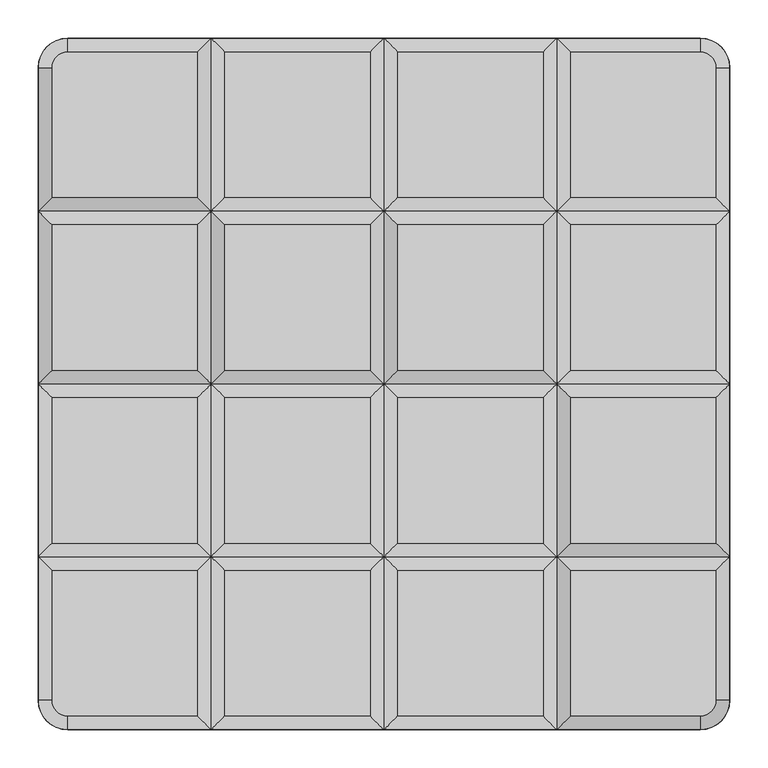
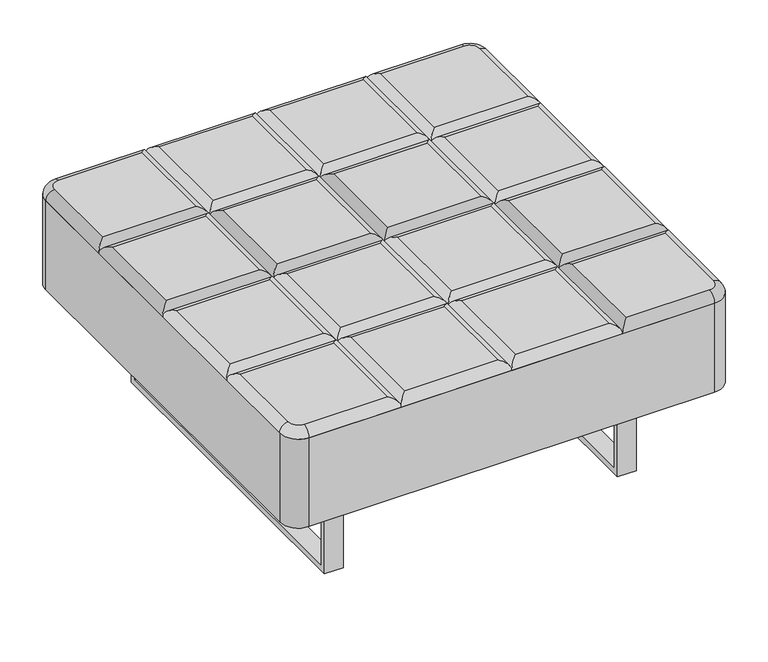
"""IFC4 building model written with IfcOpenShell, lengths in millimetres: furniture geometry."""

from ifc_helpers import new_model, si_unit, point, frame, frame_2d, origin, place, context, project, spatial, polyline, circle_curve, ellipse_curve, trimmed, segment, composite_curve, outline, extrude, source, transform, mapped, element, save
from ifc_brep_helpers import plane_surface, cylinder_surface, revolved_surface, advanced_brep


def furniture_b568f158(model_context):
    return source(origin(), model_context, "Body", "SolidModel", [
        extrude(outline(polyline([(-339.4724839, 203.2), (341.6588694, 203.2), (341.6588694, 0.0), (-339.4724839, 0.0), (-339.4724839, 203.2)]), holes=[polyline([(-326.7724839, 12.7), (328.9588694, 12.7), (328.9588694, 190.5), (-326.7724839, 190.5), (-326.7724839, 12.7)])]), frame((279.4000465, 0.0, 0.0), z_axis=(1.0, 0.0, 0.0), x_axis=(0.0, 1.0, 0.0)), (0.0, 0.0, 1.0), 38.0999535),
        extrude(outline(polyline([(-339.4724839, 203.2), (341.6588694, 203.2), (341.6588694, 0.0), (-339.4724839, 0.0), (-339.4724839, 203.2)]), holes=[polyline([(-326.7724839, 12.7), (328.9588694, 12.7), (328.9588694, 190.5), (-326.7724839, 190.5), (-326.7724839, 12.7)])]), frame((-317.5, 0.0, 0.0), z_axis=(1.0, 0.0, 0.0), x_axis=(0.0, 1.0, 0.0)), (0.0, 0.0, 1.0), 38.0999535),
        advanced_brep(
        [(-243.3855122, 243.3855122, 412.75), (-243.3855122, 432.8894878, 412.75), (-412.75, 432.8894878, 412.75), (-432.8894878, 412.75, 412.75), (-432.8894878, 243.3855122, 412.75), (-225.425, 450.85, 394.7894878), (-225.425, 225.425, 394.7894878), (-450.85, 225.425, 394.7894878), (-450.85, 412.75, 394.7894878), (-412.75, 450.85, 394.7894878)],
        [
            (0, 1),
            (1, 2),
            (2, 3, circle_curve(frame((-412.75, 412.75, 412.75), z_axis=(0.0, 0.0, 1.0), x_axis=(0.0, 1.0, 0.0)), 20.1394878)),
            (3, 4),
            (4, 0),
            (5, 6),
            (6, 7),
            (7, 8),
            (8, 9, circle_curve(frame((-412.75, 412.75, 394.7894878), z_axis=(0.0, 0.0, -1.0), x_axis=(0.0, 1.0, 0.0)), 38.1)),
            (9, 5),
            (0, 6, ellipse_curve(frame((-243.3855122, 243.3855122, 394.7894878), z_axis=(0.7071067811865475, 0.7071067811865475, 0.0), x_axis=(0.7071067811865474, -0.7071067811865476, 0.0)), 25.4, 17.9605122)),
            (5, 1, ellipse_curve(frame((-243.3855122, 432.8894878, 394.7894878), z_axis=(0.7071067811865475, -0.7071067811865475, 0.0), x_axis=(-0.7071067811865474, -0.7071067811865476, 0.0)), 25.4, 17.9605122)),
            (9, 2, circle_curve(frame((-412.75, 432.8894878, 394.7894878), z_axis=(1.0, 0.0, 0.0), x_axis=(0.0, -1.0, 0.0)), 17.9605122)),
            (8, 3, circle_curve(frame((-432.8894878, 412.75, 394.7894878), z_axis=(0.0, 1.0, 0.0), x_axis=(1.0, 0.0, 0.0)), 17.9605122)),
            (7, 4, ellipse_curve(frame((-432.8894878, 243.3855122, 394.7894878), z_axis=(-0.7071067811865475, 0.7071067811865475, 0.0), x_axis=(0.7071067811865474, 0.7071067811865476, 0.0)), 25.4, 17.9605122)),
        ],
        [
            plane_surface(frame((-432.8894878, 243.3855122, 412.75), z_axis=(0.0, 0.0, 1.0), x_axis=(0.0, -1.0, 0.0))),
            plane_surface(frame((-432.8894878, 243.3855122, 394.7894878), z_axis=(0.0, 0.0, -1.0), x_axis=(0.0, 1.0, 0.0))),
            cylinder_surface(frame((-243.3855122, 225.425, 394.7894878), z_axis=(0.0, -1.0, 0.0), x_axis=(-1.0, 0.0, 0.0)), 17.9605122),
            cylinder_surface(frame((-225.425, 432.8894878, 394.7894878), z_axis=(1.0, 0.0, 0.0), x_axis=(0.0, -1.0, 0.0)), 17.9605122),
            revolved_surface(trimmed(ellipse_curve(frame((-412.75, 432.8894878, 394.7894878), z_axis=(1.0, 0.0, 0.0), x_axis=(0.0, -1.0, 0.0)), 17.9605122, 17.9605122), [point((-412.75, 450.85, 394.7894878))], [point((-412.75, 432.8894878, 412.75))], True, "CARTESIAN"), (-412.75, 412.75, 394.7894878), (0.0, 0.0, 1.0)),
            cylinder_surface(frame((-432.8894878, 412.75, 394.7894878), z_axis=(0.0, 1.0, 0.0), x_axis=(1.0, 0.0, 0.0)), 17.9605122),
            cylinder_surface(frame((-450.85, 243.3855122, 394.7894878), z_axis=(-1.0, 0.0, 0.0), x_axis=(0.0, 1.0, 0.0)), 17.9605122),
        ],
        [
            (0, [[1, 2, 3, 4, 5]]),
            (1, [[6, 7, 8, 9, 10]]),
            (2, [[11, -6, 12, -1]]),
            (3, [[-12, -10, 13, -2]]),
            (4, [[-13, -9, 14, -3]]),
            (5, [[-14, -8, 15, -4]]),
            (6, [[-11, -5, -15, -7]]),
        ],
    ),
        advanced_brep(
        [(-17.9605122, 243.3855122, 412.75), (-17.9605122, 432.8894878, 412.75), (-207.4644878, 432.8894878, 412.75), (-207.4644878, 243.3855122, 412.75), (0.0, 450.85, 394.7894878), (0.0, 225.425, 394.7894878), (-225.425, 225.425, 394.7894878), (-225.425, 450.85, 394.7894878)],
        [
            (0, 1),
            (1, 2),
            (2, 3),
            (3, 0),
            (4, 5),
            (5, 6),
            (6, 7),
            (7, 4),
            (4, 1, ellipse_curve(frame((-17.9605122, 432.8894878, 394.7894878), z_axis=(0.7071067811865523, -0.7071067811865428, 0.0), x_axis=(0.7071067811865428, 0.7071067811865521, 0.0)), 25.4, 17.9605122)),
            (0, 5, ellipse_curve(frame((-17.9605122, 243.3855122, 394.7894878), z_axis=(0.7071067811865428, 0.7071067811865522, 0.0), x_axis=(-0.7071067811865523, 0.7071067811865428, 0.0)), 25.4, 17.9605122)),
            (3, 6, ellipse_curve(frame((-207.4644878, 243.3855122, 394.7894878), z_axis=(0.7071067811865522, -0.7071067811865428, 0.0), x_axis=(0.7071067811865428, 0.7071067811865521, 0.0)), 25.4, 17.9605122)),
            (2, 7, ellipse_curve(frame((-207.4644878, 432.8894878, 394.7894878), z_axis=(-0.7071067811865428, -0.7071067811865521, 0.0), x_axis=(0.707106781186552, -0.707106781186543, 0.0)), 25.4, 17.9605122)),
        ],
        [
            plane_surface(frame((-17.9605122, 243.3855122, 412.75), z_axis=(0.0, 0.0, 1.0), x_axis=(1.0, 0.0, 0.0))),
            plane_surface(frame((-17.9605122, 243.3855122, 394.7894878), z_axis=(0.0, 0.0, -1.0), x_axis=(-1.0, 0.0, 0.0))),
            cylinder_surface(frame((-17.9605122, 450.85, 394.7894878), z_axis=(0.0, 1.0, 0.0), x_axis=(1.0, 0.0, 0.0)), 17.9605122),
            cylinder_surface(frame((0.0, 243.3855122, 394.7894878), z_axis=(1.0, 0.0, 0.0), x_axis=(0.0, -1.0, 0.0)), 17.9605122),
            cylinder_surface(frame((-207.4644878, 225.425, 394.7894878), z_axis=(0.0, -1.0, 0.0), x_axis=(-1.0, 0.0, 0.0)), 17.9605122),
            cylinder_surface(frame((-225.425, 432.8894878, 394.7894878), z_axis=(-1.0, 0.0, 0.0), x_axis=(0.0, 1.0, 0.0)), 17.9605122),
        ],
        [
            (0, [[1, 2, 3, 4]]),
            (1, [[5, 6, 7, 8]]),
            (2, [[9, -1, 10, -5]]),
            (3, [[-10, -4, 11, -6]]),
            (4, [[-11, -3, 12, -7]]),
            (5, [[-9, -8, -12, -2]]),
        ],
    ),
        advanced_brep(
        [(207.4644878, 243.3855122, 412.75), (207.4644878, 432.8894878, 412.75), (17.9605122, 432.8894878, 412.75), (17.9605122, 243.3855122, 412.75), (225.425, 450.85, 394.7894878), (225.425, 225.425, 394.7894878), (0.0, 225.425, 394.7894878), (0.0, 450.85, 394.7894878)],
        [
            (0, 1),
            (1, 2),
            (2, 3),
            (3, 0),
            (4, 5),
            (5, 6),
            (6, 7),
            (7, 4),
            (4, 1, ellipse_curve(frame((207.4644878, 432.8894878, 394.7894878), z_axis=(0.7071067811865523, -0.7071067811865428, 0.0), x_axis=(0.7071067811865428, 0.7071067811865521, 0.0)), 25.4, 17.9605122)),
            (0, 5, ellipse_curve(frame((207.4644878, 243.3855122, 394.7894878), z_axis=(0.7071067811865428, 0.7071067811865522, 0.0), x_axis=(-0.7071067811865523, 0.7071067811865428, 0.0)), 25.4, 17.9605122)),
            (3, 6, ellipse_curve(frame((17.9605122, 243.3855122, 394.7894878), z_axis=(0.7071067811865522, -0.7071067811865428, 0.0), x_axis=(0.7071067811865428, 0.7071067811865521, 0.0)), 25.4, 17.9605122)),
            (2, 7, ellipse_curve(frame((17.9605122, 432.8894878, 394.7894878), z_axis=(-0.7071067811865428, -0.7071067811865521, 0.0), x_axis=(0.707106781186552, -0.707106781186543, 0.0)), 25.4, 17.9605122)),
        ],
        [
            plane_surface(frame((207.4644878, 243.3855122, 412.75), z_axis=(0.0, 0.0, 1.0), x_axis=(1.0, 0.0, 0.0))),
            plane_surface(frame((207.4644878, 243.3855122, 394.7894878), z_axis=(0.0, 0.0, -1.0), x_axis=(-1.0, 0.0, 0.0))),
            cylinder_surface(frame((207.4644878, 450.85, 394.7894878), z_axis=(0.0, 1.0, 0.0), x_axis=(1.0, 0.0, 0.0)), 17.9605122),
            cylinder_surface(frame((225.425, 243.3855122, 394.7894878), z_axis=(1.0, 0.0, 0.0), x_axis=(0.0, -1.0, 0.0)), 17.9605122),
            cylinder_surface(frame((17.9605122, 225.425, 394.7894878), z_axis=(0.0, -1.0, 0.0), x_axis=(-1.0, 0.0, 0.0)), 17.9605122),
            cylinder_surface(frame((0.0, 432.8894878, 394.7894878), z_axis=(-1.0, 0.0, 0.0), x_axis=(0.0, 1.0, 0.0)), 17.9605122),
        ],
        [
            (0, [[1, 2, 3, 4]]),
            (1, [[5, 6, 7, 8]]),
            (2, [[9, -1, 10, -5]]),
            (3, [[-10, -4, 11, -6]]),
            (4, [[-11, -3, 12, -7]]),
            (5, [[-9, -8, -12, -2]]),
        ],
    ),
        advanced_brep(
        [(243.3855122, 432.8894878, 412.75), (243.3855122, 243.3855122, 412.75), (432.8894878, 243.3855122, 412.75), (432.8894878, 412.75, 412.75), (412.75, 432.8894878, 412.75), (225.425, 225.425, 394.7894878), (225.425, 450.85, 394.7894878), (412.75, 450.85, 394.7894878), (450.85, 412.75, 394.7894878), (450.85, 225.425, 394.7894878)],
        [
            (0, 1),
            (1, 2),
            (2, 3),
            (3, 4, circle_curve(frame((412.75, 412.75, 412.75), z_axis=(0.0, 0.0, 1.0), x_axis=(0.0, 1.0, 0.0)), 20.1394878)),
            (4, 0),
            (5, 6),
            (6, 7),
            (7, 8, circle_curve(frame((412.75, 412.75, 394.7894878), z_axis=(0.0, 0.0, -1.0), x_axis=(0.0, 1.0, 0.0)), 38.1)),
            (8, 9),
            (9, 5),
            (5, 1, ellipse_curve(frame((243.3855122, 243.3855122, 394.7894878), z_axis=(-0.7071067811865474, 0.7071067811865476, 0.0), x_axis=(-0.7071067811865475, -0.7071067811865476, 0.0)), 25.4, 17.9605122)),
            (0, 6, ellipse_curve(frame((243.3855122, 432.8894878, 394.7894878), z_axis=(-0.7071067811865476, -0.7071067811865475, 0.0), x_axis=(0.7071067811865475, -0.7071067811865475, 0.0)), 25.4, 17.9605122)),
            (4, 7, circle_curve(frame((412.75, 432.8894878, 394.7894878), z_axis=(-1.0, 0.0, 0.0), x_axis=(0.0, 1.0, 0.0)), 17.9605122)),
            (3, 8, circle_curve(frame((432.8894878, 412.75, 394.7894878), z_axis=(0.0, 1.0, 0.0), x_axis=(1.0, 0.0, 0.0)), 17.9605122)),
            (2, 9, ellipse_curve(frame((432.8894878, 243.3855122, 394.7894878), z_axis=(0.7071067811865477, 0.7071067811865472, 0.0), x_axis=(-0.7071067811865471, 0.7071067811865479, 0.0)), 25.4, 17.9605122)),
        ],
        [
            plane_surface(frame((432.8894878, 412.75, 412.75), z_axis=(0.0, 0.0, 1.0), x_axis=(0.0, 1.0, 0.0))),
            plane_surface(frame((432.8894878, 412.75, 394.7894878), z_axis=(0.0, 0.0, -1.0), x_axis=(0.0, -1.0, 0.0))),
            cylinder_surface(frame((243.3855122, 225.425, 394.7894878), z_axis=(0.0, -1.0, 0.0), x_axis=(-1.0, 0.0, 0.0)), 17.9605122),
            cylinder_surface(frame((225.425, 432.8894878, 394.7894878), z_axis=(-1.0, 0.0, 0.0), x_axis=(0.0, 1.0, 0.0)), 17.9605122),
            revolved_surface(trimmed(ellipse_curve(frame((412.75, 432.8894878, 394.7894878), z_axis=(-1.0, 0.0, 0.0), x_axis=(0.0, 1.0, 0.0)), 17.9605122, 17.9605122), [point((412.75, 432.8894878, 412.75))], [point((412.75, 450.85, 394.7894878))], True, "CARTESIAN"), (412.75, 412.75, 394.7894878), (0.0, 0.0, -1.0)),
            cylinder_surface(frame((432.8894878, 412.75, 394.7894878), z_axis=(0.0, 1.0, 0.0), x_axis=(1.0, 0.0, 0.0)), 17.9605122),
            cylinder_surface(frame((450.85, 243.3855122, 394.7894878), z_axis=(1.0, 0.0, 0.0), x_axis=(0.0, -1.0, 0.0)), 17.9605122),
        ],
        [
            (0, [[1, 2, 3, 4, 5]]),
            (1, [[6, 7, 8, 9, 10]]),
            (2, [[11, -1, 12, -6]]),
            (3, [[-12, -5, 13, -7]]),
            (4, [[-13, -4, 14, -8]]),
            (5, [[-14, -3, 15, -9]]),
            (6, [[-11, -10, -15, -2]]),
        ],
    ),
        advanced_brep(
        [(243.3855122, 207.4644878, 412.75), (243.3855122, 17.9605122, 412.75), (432.8894878, 17.9605122, 412.75), (432.8894878, 207.4644878, 412.75), (225.425, 0.0, 394.7894878), (225.425, 225.425, 394.7894878), (450.85, 225.425, 394.7894878), (450.85, 0.0, 394.7894878)],
        [
            (0, 1),
            (1, 2),
            (2, 3),
            (3, 0),
            (4, 5),
            (5, 6),
            (6, 7),
            (7, 4),
            (4, 1, ellipse_curve(frame((243.3855122, 17.9605122, 394.7894878), z_axis=(-0.7071067811865474, 0.7071067811865477, 0.0), x_axis=(-0.7071067811865477, -0.7071067811865474, 0.0)), 25.4, 17.9605122)),
            (0, 5, ellipse_curve(frame((243.3855122, 207.4644878, 394.7894878), z_axis=(-0.7071067811865478, -0.7071067811865472, 0.0), x_axis=(0.7071067811865471, -0.7071067811865479, 0.0)), 25.4, 17.9605122)),
            (3, 6, ellipse_curve(frame((432.8894878, 207.4644878, 394.7894878), z_axis=(-0.7071067811865474, 0.7071067811865478, 0.0), x_axis=(-0.7071067811865476, -0.7071067811865474, 0.0)), 25.4, 17.9605122)),
            (2, 7, ellipse_curve(frame((432.8894878, 17.9605122, 394.7894878), z_axis=(0.7071067811865476, 0.7071067811865475, 0.0), x_axis=(-0.7071067811865475, 0.7071067811865476, 0.0)), 25.4, 17.9605122)),
        ],
        [
            plane_surface(frame((243.3855122, 207.4644878, 412.75), z_axis=(0.0, 0.0, 1.0), x_axis=(-1.0, 0.0, 0.0))),
            plane_surface(frame((243.3855122, 207.4644878, 394.7894878), z_axis=(0.0, 0.0, -1.0), x_axis=(1.0, 0.0, 0.0))),
            cylinder_surface(frame((243.3855122, 0.0, 394.7894878), z_axis=(0.0, -1.0, 0.0), x_axis=(-1.0, 0.0, 0.0)), 17.9605122),
            cylinder_surface(frame((225.425, 207.4644878, 394.7894878), z_axis=(-1.0, 0.0, 0.0), x_axis=(0.0, 1.0, 0.0)), 17.9605122),
            cylinder_surface(frame((432.8894878, 225.425, 394.7894878), z_axis=(0.0, 1.0, 0.0), x_axis=(1.0, 0.0, 0.0)), 17.9605122),
            cylinder_surface(frame((450.85, 17.9605122, 394.7894878), z_axis=(1.0, 0.0, 0.0), x_axis=(0.0, -1.0, 0.0)), 17.9605122),
        ],
        [
            (0, [[1, 2, 3, 4]]),
            (1, [[5, 6, 7, 8]]),
            (2, [[9, -1, 10, -5]]),
            (3, [[-10, -4, 11, -6]]),
            (4, [[-11, -3, 12, -7]]),
            (5, [[-9, -8, -12, -2]]),
        ],
    ),
        advanced_brep(
        [(207.4644878, 17.9605122, 412.75), (207.4644878, 207.4644878, 412.75), (17.9605122, 207.4644878, 412.75), (17.9605122, 17.9605122, 412.75), (225.425, 225.425, 394.7894878), (225.425, 0.0, 394.7894878), (0.0, 0.0, 394.7894878), (0.0, 225.425, 394.7894878)],
        [
            (0, 1),
            (1, 2),
            (2, 3),
            (3, 0),
            (4, 5),
            (5, 6),
            (6, 7),
            (7, 4),
            (0, 5, ellipse_curve(frame((207.4644878, 17.9605122, 394.7894878), z_axis=(0.707106781186552, 0.7071067811865429, 0.0), x_axis=(0.7071067811865428, -0.7071067811865522, 0.0)), 25.4, 17.9605122)),
            (4, 1, ellipse_curve(frame((207.4644878, 207.4644878, 394.7894878), z_axis=(0.7071067811865428, -0.7071067811865521, 0.0), x_axis=(-0.7071067811865521, -0.7071067811865429, 0.0)), 25.4, 17.9605122)),
            (7, 2, ellipse_curve(frame((17.9605122, 207.4644878, 394.7894878), z_axis=(0.7071067811865521, 0.7071067811865429, 0.0), x_axis=(0.7071067811865429, -0.707106781186552, 0.0)), 25.4, 17.9605122)),
            (6, 3, ellipse_curve(frame((17.9605122, 17.9605122, 394.7894878), z_axis=(-0.7071067811865429, 0.707106781186552, 0.0), x_axis=(0.7071067811865519, 0.707106781186543, 0.0)), 25.4, 17.9605122)),
        ],
        [
            plane_surface(frame((17.9605122, 207.4644878, 412.75), z_axis=(0.0, 0.0, 1.0), x_axis=(0.0, -1.0, 0.0))),
            plane_surface(frame((17.9605122, 207.4644878, 394.7894878), z_axis=(0.0, 0.0, -1.0), x_axis=(0.0, 1.0, 0.0))),
            cylinder_surface(frame((207.4644878, 0.0, 394.7894878), z_axis=(0.0, -1.0, 0.0), x_axis=(-1.0, 0.0, 0.0)), 17.9605122),
            cylinder_surface(frame((225.425, 207.4644878, 394.7894878), z_axis=(1.0, 0.0, 0.0), x_axis=(0.0, -1.0, 0.0)), 17.9605122),
            cylinder_surface(frame((17.9605122, 225.425, 394.7894878), z_axis=(0.0, 1.0, 0.0), x_axis=(1.0, 0.0, 0.0)), 17.9605122),
            cylinder_surface(frame((0.0, 17.9605122, 394.7894878), z_axis=(-1.0, 0.0, 0.0), x_axis=(0.0, 1.0, 0.0)), 17.9605122),
        ],
        [
            (0, [[1, 2, 3, 4]]),
            (1, [[5, 6, 7, 8]]),
            (2, [[9, -5, 10, -1]]),
            (3, [[-10, -8, 11, -2]]),
            (4, [[-11, -7, 12, -3]]),
            (5, [[-9, -4, -12, -6]]),
        ],
    ),
        advanced_brep(
        [(-17.9605122, 17.9605122, 412.75), (-17.9605122, 207.4644878, 412.75), (-207.4644878, 207.4644878, 412.75), (-207.4644878, 17.9605122, 412.75), (0.0, 225.425, 394.7894878), (0.0, 0.0, 394.7894878), (-225.425, 0.0, 394.7894878), (-225.425, 225.425, 394.7894878)],
        [
            (0, 1),
            (1, 2),
            (2, 3),
            (3, 0),
            (4, 5),
            (5, 6),
            (6, 7),
            (7, 4),
            (0, 5, ellipse_curve(frame((-17.9605122, 17.9605122, 394.7894878), z_axis=(0.707106781186552, 0.7071067811865429, 0.0), x_axis=(0.7071067811865428, -0.7071067811865522, 0.0)), 25.4, 17.9605122)),
            (4, 1, ellipse_curve(frame((-17.9605122, 207.4644878, 394.7894878), z_axis=(0.7071067811865428, -0.7071067811865521, 0.0), x_axis=(-0.7071067811865521, -0.7071067811865429, 0.0)), 25.4, 17.9605122)),
            (7, 2, ellipse_curve(frame((-207.4644878, 207.4644878, 394.7894878), z_axis=(0.7071067811865521, 0.7071067811865429, 0.0), x_axis=(0.7071067811865429, -0.707106781186552, 0.0)), 25.4, 17.9605122)),
            (6, 3, ellipse_curve(frame((-207.4644878, 17.9605122, 394.7894878), z_axis=(-0.7071067811865429, 0.707106781186552, 0.0), x_axis=(0.7071067811865519, 0.707106781186543, 0.0)), 25.4, 17.9605122)),
        ],
        [
            plane_surface(frame((-207.4644878, 207.4644878, 412.75), z_axis=(0.0, 0.0, 1.0), x_axis=(0.0, -1.0, 0.0))),
            plane_surface(frame((-207.4644878, 207.4644878, 394.7894878), z_axis=(0.0, 0.0, -1.0), x_axis=(0.0, 1.0, 0.0))),
            cylinder_surface(frame((-17.9605122, 0.0, 394.7894878), z_axis=(0.0, -1.0, 0.0), x_axis=(-1.0, 0.0, 0.0)), 17.9605122),
            cylinder_surface(frame((0.0, 207.4644878, 394.7894878), z_axis=(1.0, 0.0, 0.0), x_axis=(0.0, -1.0, 0.0)), 17.9605122),
            cylinder_surface(frame((-207.4644878, 225.425, 394.7894878), z_axis=(0.0, 1.0, 0.0), x_axis=(1.0, 0.0, 0.0)), 17.9605122),
            cylinder_surface(frame((-225.425, 17.9605122, 394.7894878), z_axis=(-1.0, 0.0, 0.0), x_axis=(0.0, 1.0, 0.0)), 17.9605122),
        ],
        [
            (0, [[1, 2, 3, 4]]),
            (1, [[5, 6, 7, 8]]),
            (2, [[9, -5, 10, -1]]),
            (3, [[-10, -8, 11, -2]]),
            (4, [[-11, -7, 12, -3]]),
            (5, [[-9, -4, -12, -6]]),
        ],
    ),
        advanced_brep(
        [(-243.3855122, 17.9605122, 412.75), (-243.3855122, 207.4644878, 412.75), (-432.8894878, 207.4644878, 412.75), (-432.8894878, 17.9605122, 412.75), (-225.425, 225.425, 394.7894878), (-225.425, 0.0, 394.7894878), (-450.85, 0.0, 394.7894878), (-450.85, 225.425, 394.7894878)],
        [
            (0, 1),
            (1, 2),
            (2, 3),
            (3, 0),
            (4, 5),
            (5, 6),
            (6, 7),
            (7, 4),
            (0, 5, ellipse_curve(frame((-243.3855122, 17.9605122, 394.7894878), z_axis=(0.7071067811865521, 0.7071067811865428, 0.0), x_axis=(0.7071067811865427, -0.7071067811865522, 0.0)), 25.4, 17.9605122)),
            (4, 1, ellipse_curve(frame((-243.3855122, 207.4644878, 394.7894878), z_axis=(0.7071067811865428, -0.7071067811865523, 0.0), x_axis=(-0.7071067811865525, -0.7071067811865426, 0.0)), 25.4, 17.9605122)),
            (7, 2, ellipse_curve(frame((-432.8894878, 207.4644878, 394.7894878), z_axis=(0.7071067811865522, 0.7071067811865427, 0.0), x_axis=(0.7071067811865429, -0.7071067811865521, 0.0)), 25.4, 17.9605122)),
            (6, 3, ellipse_curve(frame((-432.8894878, 17.9605122, 394.7894878), z_axis=(-0.7071067811865428, 0.7071067811865521, 0.0), x_axis=(0.707106781186552, 0.7071067811865429, 0.0)), 25.4, 17.9605122)),
        ],
        [
            plane_surface(frame((-432.8894878, 207.4644878, 412.75), z_axis=(0.0, 0.0, 1.0), x_axis=(0.0, -1.0, 0.0))),
            plane_surface(frame((-432.8894878, 207.4644878, 394.7894878), z_axis=(0.0, 0.0, -1.0), x_axis=(0.0, 1.0, 0.0))),
            cylinder_surface(frame((-243.3855122, 0.0, 394.7894878), z_axis=(0.0, -1.0, 0.0), x_axis=(-1.0, 0.0, 0.0)), 17.9605122),
            cylinder_surface(frame((-225.425, 207.4644878, 394.7894878), z_axis=(1.0, 0.0, 0.0), x_axis=(0.0, -1.0, 0.0)), 17.9605122),
            cylinder_surface(frame((-432.8894878, 225.425, 394.7894878), z_axis=(0.0, 1.0, 0.0), x_axis=(1.0, 0.0, 0.0)), 17.9605122),
            cylinder_surface(frame((-450.85, 17.9605122, 394.7894878), z_axis=(-1.0, 0.0, 0.0), x_axis=(0.0, 1.0, 0.0)), 17.9605122),
        ],
        [
            (0, [[1, 2, 3, 4]]),
            (1, [[5, 6, 7, 8]]),
            (2, [[9, -5, 10, -1]]),
            (3, [[-10, -8, 11, -2]]),
            (4, [[-11, -7, 12, -3]]),
            (5, [[-9, -4, -12, -6]]),
        ],
    ),
        advanced_brep(
        [(-243.3855122, -207.4644878, 412.75), (-243.3855122, -17.9605122, 412.75), (-432.8894878, -17.9605122, 412.75), (-432.8894878, -207.4644878, 412.75), (-225.425, 0.0, 394.7894878), (-225.425, -225.425, 394.7894878), (-450.85, -225.425, 394.7894878), (-450.85, 0.0, 394.7894878)],
        [
            (0, 1),
            (1, 2),
            (2, 3),
            (3, 0),
            (4, 5),
            (5, 6),
            (6, 7),
            (7, 4),
            (4, 1, ellipse_curve(frame((-243.3855122, -17.9605122, 394.7894878), z_axis=(0.7071067811865523, -0.7071067811865428, 0.0), x_axis=(0.7071067811865428, 0.7071067811865521, 0.0)), 25.4, 17.9605122)),
            (0, 5, ellipse_curve(frame((-243.3855122, -207.4644878, 394.7894878), z_axis=(0.7071067811865428, 0.7071067811865522, 0.0), x_axis=(-0.7071067811865523, 0.7071067811865428, 0.0)), 25.4, 17.9605122)),
            (3, 6, ellipse_curve(frame((-432.8894878, -207.4644878, 394.7894878), z_axis=(0.7071067811865522, -0.7071067811865428, 0.0), x_axis=(0.7071067811865428, 0.7071067811865521, 0.0)), 25.4, 17.9605122)),
            (2, 7, ellipse_curve(frame((-432.8894878, -17.9605122, 394.7894878), z_axis=(-0.7071067811865428, -0.7071067811865521, 0.0), x_axis=(0.707106781186552, -0.707106781186543, 0.0)), 25.4, 17.9605122)),
        ],
        [
            plane_surface(frame((-243.3855122, -207.4644878, 412.75), z_axis=(0.0, 0.0, 1.0), x_axis=(1.0, 0.0, 0.0))),
            plane_surface(frame((-243.3855122, -207.4644878, 394.7894878), z_axis=(0.0, 0.0, -1.0), x_axis=(-1.0, 0.0, 0.0))),
            cylinder_surface(frame((-243.3855122, 0.0, 394.7894878), z_axis=(0.0, 1.0, 0.0), x_axis=(1.0, 0.0, 0.0)), 17.9605122),
            cylinder_surface(frame((-225.425, -207.4644878, 394.7894878), z_axis=(1.0, 0.0, 0.0), x_axis=(0.0, -1.0, 0.0)), 17.9605122),
            cylinder_surface(frame((-432.8894878, -225.425, 394.7894878), z_axis=(0.0, -1.0, 0.0), x_axis=(-1.0, 0.0, 0.0)), 17.9605122),
            cylinder_surface(frame((-450.85, -17.9605122, 394.7894878), z_axis=(-1.0, 0.0, 0.0), x_axis=(0.0, 1.0, 0.0)), 17.9605122),
        ],
        [
            (0, [[1, 2, 3, 4]]),
            (1, [[5, 6, 7, 8]]),
            (2, [[9, -1, 10, -5]]),
            (3, [[-10, -4, 11, -6]]),
            (4, [[-11, -3, 12, -7]]),
            (5, [[-9, -8, -12, -2]]),
        ],
    ),
        advanced_brep(
        [(-17.9605122, -207.4644878, 412.75), (-17.9605122, -17.9605122, 412.75), (-207.4644878, -17.9605122, 412.75), (-207.4644878, -207.4644878, 412.75), (0.0, 0.0, 394.7894878), (0.0, -225.425, 394.7894878), (-225.425, -225.425, 394.7894878), (-225.425, 0.0, 394.7894878)],
        [
            (0, 1),
            (1, 2),
            (2, 3),
            (3, 0),
            (4, 5),
            (5, 6),
            (6, 7),
            (7, 4),
            (4, 1, ellipse_curve(frame((-17.9605122, -17.9605122, 394.7894878), z_axis=(0.7071067811865523, -0.7071067811865428, 0.0), x_axis=(0.7071067811865428, 0.7071067811865521, 0.0)), 25.4, 17.9605122)),
            (0, 5, ellipse_curve(frame((-17.9605122, -207.4644878, 394.7894878), z_axis=(0.7071067811865428, 0.7071067811865522, 0.0), x_axis=(-0.7071067811865523, 0.7071067811865428, 0.0)), 25.4, 17.9605122)),
            (3, 6, ellipse_curve(frame((-207.4644878, -207.4644878, 394.7894878), z_axis=(0.7071067811865522, -0.7071067811865428, 0.0), x_axis=(0.7071067811865428, 0.7071067811865521, 0.0)), 25.4, 17.9605122)),
            (2, 7, ellipse_curve(frame((-207.4644878, -17.9605122, 394.7894878), z_axis=(-0.7071067811865428, -0.7071067811865521, 0.0), x_axis=(0.707106781186552, -0.707106781186543, 0.0)), 25.4, 17.9605122)),
        ],
        [
            plane_surface(frame((-17.9605122, -207.4644878, 412.75), z_axis=(0.0, 0.0, 1.0), x_axis=(1.0, 0.0, 0.0))),
            plane_surface(frame((-17.9605122, -207.4644878, 394.7894878), z_axis=(0.0, 0.0, -1.0), x_axis=(-1.0, 0.0, 0.0))),
            cylinder_surface(frame((-17.9605122, 0.0, 394.7894878), z_axis=(0.0, 1.0, 0.0), x_axis=(1.0, 0.0, 0.0)), 17.9605122),
            cylinder_surface(frame((0.0, -207.4644878, 394.7894878), z_axis=(1.0, 0.0, 0.0), x_axis=(0.0, -1.0, 0.0)), 17.9605122),
            cylinder_surface(frame((-207.4644878, -225.425, 394.7894878), z_axis=(0.0, -1.0, 0.0), x_axis=(-1.0, 0.0, 0.0)), 17.9605122),
            cylinder_surface(frame((-225.425, -17.9605122, 394.7894878), z_axis=(-1.0, 0.0, 0.0), x_axis=(0.0, 1.0, 0.0)), 17.9605122),
        ],
        [
            (0, [[1, 2, 3, 4]]),
            (1, [[5, 6, 7, 8]]),
            (2, [[9, -1, 10, -5]]),
            (3, [[-10, -4, 11, -6]]),
            (4, [[-11, -3, 12, -7]]),
            (5, [[-9, -8, -12, -2]]),
        ],
    ),
        advanced_brep(
        [(207.4644878, -207.4644878, 412.75), (207.4644878, -17.9605122, 412.75), (17.9605122, -17.9605122, 412.75), (17.9605122, -207.4644878, 412.75), (225.425, 0.0, 394.7894878), (225.425, -225.425, 394.7894878), (0.0, -225.425, 394.7894878), (0.0, 0.0, 394.7894878)],
        [
            (0, 1),
            (1, 2),
            (2, 3),
            (3, 0),
            (4, 5),
            (5, 6),
            (6, 7),
            (7, 4),
            (4, 1, ellipse_curve(frame((207.4644878, -17.9605122, 394.7894878), z_axis=(0.7071067811865523, -0.7071067811865428, 0.0), x_axis=(0.7071067811865428, 0.7071067811865521, 0.0)), 25.4, 17.9605122)),
            (0, 5, ellipse_curve(frame((207.4644878, -207.4644878, 394.7894878), z_axis=(0.7071067811865428, 0.7071067811865522, 0.0), x_axis=(-0.7071067811865523, 0.7071067811865428, 0.0)), 25.4, 17.9605122)),
            (3, 6, ellipse_curve(frame((17.9605122, -207.4644878, 394.7894878), z_axis=(0.7071067811865522, -0.7071067811865428, 0.0), x_axis=(0.7071067811865428, 0.7071067811865521, 0.0)), 25.4, 17.9605122)),
            (2, 7, ellipse_curve(frame((17.9605122, -17.9605122, 394.7894878), z_axis=(-0.7071067811865428, -0.7071067811865521, 0.0), x_axis=(0.707106781186552, -0.707106781186543, 0.0)), 25.4, 17.9605122)),
        ],
        [
            plane_surface(frame((207.4644878, -207.4644878, 412.75), z_axis=(0.0, 0.0, 1.0), x_axis=(1.0, 0.0, 0.0))),
            plane_surface(frame((207.4644878, -207.4644878, 394.7894878), z_axis=(0.0, 0.0, -1.0), x_axis=(-1.0, 0.0, 0.0))),
            cylinder_surface(frame((207.4644878, 0.0, 394.7894878), z_axis=(0.0, 1.0, 0.0), x_axis=(1.0, 0.0, 0.0)), 17.9605122),
            cylinder_surface(frame((225.425, -207.4644878, 394.7894878), z_axis=(1.0, 0.0, 0.0), x_axis=(0.0, -1.0, 0.0)), 17.9605122),
            cylinder_surface(frame((17.9605122, -225.425, 394.7894878), z_axis=(0.0, -1.0, 0.0), x_axis=(-1.0, 0.0, 0.0)), 17.9605122),
            cylinder_surface(frame((0.0, -17.9605122, 394.7894878), z_axis=(-1.0, 0.0, 0.0), x_axis=(0.0, 1.0, 0.0)), 17.9605122),
        ],
        [
            (0, [[1, 2, 3, 4]]),
            (1, [[5, 6, 7, 8]]),
            (2, [[9, -1, 10, -5]]),
            (3, [[-10, -4, 11, -6]]),
            (4, [[-11, -3, 12, -7]]),
            (5, [[-9, -8, -12, -2]]),
        ],
    ),
        advanced_brep(
        [(243.3855122, -17.9605122, 412.75), (243.3855122, -207.4644878, 412.75), (432.8894878, -207.4644878, 412.75), (432.8894878, -17.9605122, 412.75), (225.425, -225.425, 394.7894878), (225.425, 0.0, 394.7894878), (450.85, 0.0, 394.7894878), (450.85, -225.425, 394.7894878)],
        [
            (0, 1),
            (1, 2),
            (2, 3),
            (3, 0),
            (4, 5),
            (5, 6),
            (6, 7),
            (7, 4),
            (0, 5, ellipse_curve(frame((243.3855122, -17.9605122, 394.7894878), z_axis=(-0.707106781186553, -0.7071067811865419, 0.0), x_axis=(-0.7071067811865418, 0.7071067811865532, 0.0)), 25.4, 17.9605122)),
            (4, 1, ellipse_curve(frame((243.3855122, -207.4644878, 394.7894878), z_axis=(-0.707106781186542, 0.7071067811865529, 0.0), x_axis=(0.7071067811865528, 0.7071067811865421, 0.0)), 25.4, 17.9605122)),
            (7, 2, ellipse_curve(frame((432.8894878, -207.4644878, 394.7894878), z_axis=(-0.7071067811865531, -0.7071067811865419, 0.0), x_axis=(-0.7071067811865419, 0.707106781186553, 0.0)), 25.4, 17.9605122)),
            (6, 3, ellipse_curve(frame((432.8894878, -17.9605122, 394.7894878), z_axis=(0.7071067811865418, -0.7071067811865531, 0.0), x_axis=(-0.7071067811865529, -0.707106781186542, 0.0)), 25.4, 17.9605122)),
        ],
        [
            plane_surface(frame((432.8894878, -207.4644878, 412.75), z_axis=(0.0, 0.0, 1.0), x_axis=(0.0, 1.0, 0.0))),
            plane_surface(frame((432.8894878, -207.4644878, 394.7894878), z_axis=(0.0, 0.0, -1.0), x_axis=(0.0, -1.0, 0.0))),
            cylinder_surface(frame((243.3855122, 0.0, 394.7894878), z_axis=(0.0, 1.0, 0.0), x_axis=(1.0, 0.0, 0.0)), 17.9605122),
            cylinder_surface(frame((225.425, -207.4644878, 394.7894878), z_axis=(-1.0, 0.0, 0.0), x_axis=(0.0, 1.0, 0.0)), 17.9605122),
            cylinder_surface(frame((432.8894878, -225.425, 394.7894878), z_axis=(0.0, -1.0, 0.0), x_axis=(-1.0, 0.0, 0.0)), 17.9605122),
            cylinder_surface(frame((450.85, -17.9605122, 394.7894878), z_axis=(1.0, 0.0, 0.0), x_axis=(0.0, -1.0, 0.0)), 17.9605122),
        ],
        [
            (0, [[1, 2, 3, 4]]),
            (1, [[5, 6, 7, 8]]),
            (2, [[9, -5, 10, -1]]),
            (3, [[-10, -8, 11, -2]]),
            (4, [[-11, -7, 12, -3]]),
            (5, [[-9, -4, -12, -6]]),
        ],
    ),
        advanced_brep(
        [(243.3855122, -243.3855122, 412.75), (243.3855122, -432.8894878, 412.75), (412.75, -432.8894878, 412.75), (432.8894878, -412.75, 412.75), (432.8894878, -243.3855122, 412.75), (225.425, -450.85, 394.7894878), (225.425, -225.425, 394.7894878), (450.85, -225.425, 394.7894878), (450.85, -412.75, 394.7894878), (412.75, -450.85, 394.7894878)],
        [
            (0, 1),
            (1, 2),
            (2, 3, circle_curve(frame((412.75, -412.75, 412.75), z_axis=(0.0, 0.0, 1.0), x_axis=(0.0, -1.0, 0.0)), 20.1394878)),
            (3, 4),
            (4, 0),
            (5, 6),
            (6, 7),
            (7, 8),
            (8, 9, circle_curve(frame((412.75, -412.75, 394.7894878), z_axis=(0.0, 0.0, -1.0), x_axis=(0.0, -1.0, 0.0)), 38.1)),
            (9, 5),
            (0, 6, ellipse_curve(frame((243.3855122, -243.3855122, 394.7894878), z_axis=(-0.7071067811865475, -0.7071067811865475, 0.0), x_axis=(-0.7071067811865475, 0.7071067811865476, 0.0)), 25.4, 17.9605122)),
            (5, 1, ellipse_curve(frame((243.3855122, -432.8894878, 394.7894878), z_axis=(-0.7071067811865475, 0.7071067811865476, 0.0), x_axis=(0.7071067811865475, 0.7071067811865476, 0.0)), 25.4, 17.9605122)),
            (9, 2, circle_curve(frame((412.75, -432.8894878, 394.7894878), z_axis=(-1.0, 0.0, 0.0), x_axis=(0.0, 1.0, 0.0)), 17.9605122)),
            (8, 3, circle_curve(frame((432.8894878, -412.75, 394.7894878), z_axis=(0.0, -1.0, 0.0), x_axis=(-1.0, 0.0, 0.0)), 17.9605122)),
            (7, 4, ellipse_curve(frame((432.8894878, -243.3855122, 394.7894878), z_axis=(0.7071067811865474, -0.7071067811865477, 0.0), x_axis=(-0.7071067811865477, -0.7071067811865474, 0.0)), 25.4, 17.9605122)),
        ],
        [
            plane_surface(frame((432.8894878, -243.3855122, 412.75), z_axis=(0.0, 0.0, 1.0), x_axis=(0.0, 1.0, 0.0))),
            plane_surface(frame((432.8894878, -243.3855122, 394.7894878), z_axis=(0.0, 0.0, -1.0), x_axis=(0.0, -1.0, 0.0))),
            cylinder_surface(frame((243.3855122, -225.425, 394.7894878), z_axis=(0.0, 1.0, 0.0), x_axis=(1.0, 0.0, 0.0)), 17.9605122),
            cylinder_surface(frame((225.425, -432.8894878, 394.7894878), z_axis=(-1.0, 0.0, 0.0), x_axis=(0.0, 1.0, 0.0)), 17.9605122),
            revolved_surface(trimmed(ellipse_curve(frame((412.75, -432.8894878, 394.7894878), z_axis=(-1.0, 0.0, 0.0), x_axis=(0.0, 1.0, 0.0)), 17.9605122, 17.9605122), [point((412.75, -450.85, 394.7894878))], [point((412.75, -432.8894878, 412.75))], True, "CARTESIAN"), (412.75, -412.75, 394.7894878), (0.0, 0.0, 1.0)),
            cylinder_surface(frame((432.8894878, -412.75, 394.7894878), z_axis=(0.0, -1.0, 0.0), x_axis=(-1.0, 0.0, 0.0)), 17.9605122),
            cylinder_surface(frame((450.85, -243.3855122, 394.7894878), z_axis=(1.0, 0.0, 0.0), x_axis=(0.0, -1.0, 0.0)), 17.9605122),
        ],
        [
            (0, [[1, 2, 3, 4, 5]]),
            (1, [[6, 7, 8, 9, 10]]),
            (2, [[11, -6, 12, -1]]),
            (3, [[-12, -10, 13, -2]]),
            (4, [[-13, -9, 14, -3]]),
            (5, [[-14, -8, 15, -4]]),
            (6, [[-11, -5, -15, -7]]),
        ],
    ),
        advanced_brep(
        [(207.4644878, -432.8894878, 412.75), (207.4644878, -243.3855122, 412.75), (17.9605122, -243.3855122, 412.75), (17.9605122, -432.8894878, 412.75), (225.425, -225.425, 394.7894878), (225.425, -450.85, 394.7894878), (0.0, -450.85, 394.7894878), (0.0, -225.425, 394.7894878)],
        [
            (0, 1),
            (1, 2),
            (2, 3),
            (3, 0),
            (4, 5),
            (5, 6),
            (6, 7),
            (7, 4),
            (4, 1, ellipse_curve(frame((207.4644878, -243.3855122, 394.7894878), z_axis=(0.7071067811865523, -0.7071067811865428, 0.0), x_axis=(0.7071067811865428, 0.7071067811865521, 0.0)), 25.4, 17.9605122)),
            (0, 5, ellipse_curve(frame((207.4644878, -432.8894878, 394.7894878), z_axis=(0.7071067811865428, 0.7071067811865522, 0.0), x_axis=(-0.7071067811865523, 0.7071067811865428, 0.0)), 25.4, 17.9605122)),
            (3, 6, ellipse_curve(frame((17.9605122, -432.8894878, 394.7894878), z_axis=(0.7071067811865522, -0.7071067811865428, 0.0), x_axis=(0.7071067811865428, 0.7071067811865521, 0.0)), 25.4, 17.9605122)),
            (2, 7, ellipse_curve(frame((17.9605122, -243.3855122, 394.7894878), z_axis=(-0.7071067811865428, -0.7071067811865521, 0.0), x_axis=(0.707106781186552, -0.707106781186543, 0.0)), 25.4, 17.9605122)),
        ],
        [
            plane_surface(frame((207.4644878, -432.8894878, 412.75), z_axis=(0.0, 0.0, 1.0), x_axis=(1.0, 0.0, 0.0))),
            plane_surface(frame((207.4644878, -432.8894878, 394.7894878), z_axis=(0.0, 0.0, -1.0), x_axis=(-1.0, 0.0, 0.0))),
            cylinder_surface(frame((207.4644878, -225.425, 394.7894878), z_axis=(0.0, 1.0, 0.0), x_axis=(1.0, 0.0, 0.0)), 17.9605122),
            cylinder_surface(frame((225.425, -432.8894878, 394.7894878), z_axis=(1.0, 0.0, 0.0), x_axis=(0.0, -1.0, 0.0)), 17.9605122),
            cylinder_surface(frame((17.9605122, -450.85, 394.7894878), z_axis=(0.0, -1.0, 0.0), x_axis=(-1.0, 0.0, 0.0)), 17.9605122),
            cylinder_surface(frame((0.0, -243.3855122, 394.7894878), z_axis=(-1.0, 0.0, 0.0), x_axis=(0.0, 1.0, 0.0)), 17.9605122),
        ],
        [
            (0, [[1, 2, 3, 4]]),
            (1, [[5, 6, 7, 8]]),
            (2, [[9, -1, 10, -5]]),
            (3, [[-10, -4, 11, -6]]),
            (4, [[-11, -3, 12, -7]]),
            (5, [[-9, -8, -12, -2]]),
        ],
    ),
        advanced_brep(
        [(-17.9605122, -432.8894878, 412.75), (-17.9605122, -243.3855122, 412.75), (-207.4644878, -243.3855122, 412.75), (-207.4644878, -432.8894878, 412.75), (0.0, -225.425, 394.7894878), (0.0, -450.85, 394.7894878), (-225.425, -450.85, 394.7894878), (-225.425, -225.425, 394.7894878)],
        [
            (0, 1),
            (1, 2),
            (2, 3),
            (3, 0),
            (4, 5),
            (5, 6),
            (6, 7),
            (7, 4),
            (4, 1, ellipse_curve(frame((-17.9605122, -243.3855122, 394.7894878), z_axis=(0.7071067811865523, -0.7071067811865428, 0.0), x_axis=(0.7071067811865428, 0.7071067811865521, 0.0)), 25.4, 17.9605122)),
            (0, 5, ellipse_curve(frame((-17.9605122, -432.8894878, 394.7894878), z_axis=(0.7071067811865428, 0.7071067811865522, 0.0), x_axis=(-0.7071067811865523, 0.7071067811865428, 0.0)), 25.4, 17.9605122)),
            (3, 6, ellipse_curve(frame((-207.4644878, -432.8894878, 394.7894878), z_axis=(0.7071067811865522, -0.7071067811865428, 0.0), x_axis=(0.7071067811865428, 0.7071067811865521, 0.0)), 25.4, 17.9605122)),
            (2, 7, ellipse_curve(frame((-207.4644878, -243.3855122, 394.7894878), z_axis=(-0.7071067811865428, -0.7071067811865521, 0.0), x_axis=(0.707106781186552, -0.707106781186543, 0.0)), 25.4, 17.9605122)),
        ],
        [
            plane_surface(frame((-17.9605122, -432.8894878, 412.75), z_axis=(0.0, 0.0, 1.0), x_axis=(1.0, 0.0, 0.0))),
            plane_surface(frame((-17.9605122, -432.8894878, 394.7894878), z_axis=(0.0, 0.0, -1.0), x_axis=(-1.0, 0.0, 0.0))),
            cylinder_surface(frame((-17.9605122, -225.425, 394.7894878), z_axis=(0.0, 1.0, 0.0), x_axis=(1.0, 0.0, 0.0)), 17.9605122),
            cylinder_surface(frame((0.0, -432.8894878, 394.7894878), z_axis=(1.0, 0.0, 0.0), x_axis=(0.0, -1.0, 0.0)), 17.9605122),
            cylinder_surface(frame((-207.4644878, -450.85, 394.7894878), z_axis=(0.0, -1.0, 0.0), x_axis=(-1.0, 0.0, 0.0)), 17.9605122),
            cylinder_surface(frame((-225.425, -243.3855122, 394.7894878), z_axis=(-1.0, 0.0, 0.0), x_axis=(0.0, 1.0, 0.0)), 17.9605122),
        ],
        [
            (0, [[1, 2, 3, 4]]),
            (1, [[5, 6, 7, 8]]),
            (2, [[9, -1, 10, -5]]),
            (3, [[-10, -4, 11, -6]]),
            (4, [[-11, -3, 12, -7]]),
            (5, [[-9, -8, -12, -2]]),
        ],
    ),
        advanced_brep(
        [(-243.3855122, -432.8894878, 412.75), (-243.3855122, -243.3855122, 412.75), (-432.8894878, -243.3855122, 412.75), (-432.8894878, -412.75, 412.75), (-412.75, -432.8894878, 412.75), (-225.425, -225.425, 394.7894878), (-225.425, -450.85, 394.7894878), (-412.75, -450.85, 394.7894878), (-450.85, -412.75, 394.7894878), (-450.85, -225.425, 394.7894878)],
        [
            (0, 1),
            (1, 2),
            (2, 3),
            (3, 4, circle_curve(frame((-412.75, -412.75, 412.75), z_axis=(0.0, 0.0, 1.0), x_axis=(0.0, -1.0, 0.0)), 20.1394878)),
            (4, 0),
            (5, 6),
            (6, 7),
            (7, 8, circle_curve(frame((-412.75, -412.75, 394.7894878), z_axis=(0.0, 0.0, -1.0), x_axis=(0.0, -1.0, 0.0)), 38.1)),
            (8, 9),
            (9, 5),
            (5, 1, ellipse_curve(frame((-243.3855122, -243.3855122, 394.7894878), z_axis=(0.7071067811865475, -0.7071067811865475, 0.0), x_axis=(0.7071067811865474, 0.7071067811865476, 0.0)), 25.4, 17.9605122)),
            (0, 6, ellipse_curve(frame((-243.3855122, -432.8894878, 394.7894878), z_axis=(0.7071067811865475, 0.7071067811865475, 0.0), x_axis=(-0.7071067811865474, 0.7071067811865476, 0.0)), 25.4, 17.9605122)),
            (4, 7, circle_curve(frame((-412.75, -432.8894878, 394.7894878), z_axis=(1.0, 0.0, 0.0), x_axis=(0.0, -1.0, 0.0)), 17.9605122)),
            (3, 8, circle_curve(frame((-432.8894878, -412.75, 394.7894878), z_axis=(0.0, -1.0, 0.0), x_axis=(-1.0, 0.0, 0.0)), 17.9605122)),
            (2, 9, ellipse_curve(frame((-432.8894878, -243.3855122, 394.7894878), z_axis=(-0.7071067811865475, -0.7071067811865475, 0.0), x_axis=(0.7071067811865474, -0.7071067811865476, 0.0)), 25.4, 17.9605122)),
        ],
        [
            plane_surface(frame((-432.8894878, -412.75, 412.75), z_axis=(0.0, 0.0, 1.0), x_axis=(0.0, -1.0, 0.0))),
            plane_surface(frame((-432.8894878, -412.75, 394.7894878), z_axis=(0.0, 0.0, -1.0), x_axis=(0.0, 1.0, 0.0))),
            cylinder_surface(frame((-243.3855122, -225.425, 394.7894878), z_axis=(0.0, 1.0, 0.0), x_axis=(1.0, 0.0, 0.0)), 17.9605122),
            cylinder_surface(frame((-225.425, -432.8894878, 394.7894878), z_axis=(1.0, 0.0, 0.0), x_axis=(0.0, -1.0, 0.0)), 17.9605122),
            revolved_surface(trimmed(ellipse_curve(frame((-412.75, -432.8894878, 394.7894878), z_axis=(1.0, 0.0, 0.0), x_axis=(0.0, -1.0, 0.0)), 17.9605122, 17.9605122), [point((-412.75, -432.8894878, 412.75))], [point((-412.75, -450.85, 394.7894878))], True, "CARTESIAN"), (-412.75, -412.75, 394.7894878), (0.0, 0.0, -1.0)),
            cylinder_surface(frame((-432.8894878, -412.75, 394.7894878), z_axis=(0.0, -1.0, 0.0), x_axis=(-1.0, 0.0, 0.0)), 17.9605122),
            cylinder_surface(frame((-450.85, -243.3855122, 394.7894878), z_axis=(-1.0, 0.0, 0.0), x_axis=(0.0, 1.0, 0.0)), 17.9605122),
        ],
        [
            (0, [[1, 2, 3, 4, 5]]),
            (1, [[6, 7, 8, 9, 10]]),
            (2, [[11, -1, 12, -6]]),
            (3, [[-12, -5, 13, -7]]),
            (4, [[-13, -4, 14, -8]]),
            (5, [[-14, -3, 15, -9]]),
            (6, [[-11, -10, -15, -2]]),
        ],
    ),
        extrude(outline(composite_curve([segment(trimmed(circle_curve(frame_2d((412.75, 412.75)), 38.1), [point((412.75, 450.85))], [point((450.85, 412.75))], False, "CARTESIAN"), True, "CONTINUOUS"), segment(polyline([(450.85, 412.75), (450.85, -412.75)]), True, "CONTINUOUS"), segment(trimmed(circle_curve(frame_2d((412.75, -412.75)), 38.1), [point((450.85, -412.75))], [point((412.75, -450.85))], False, "CARTESIAN"), True, "CONTINUOUS"), segment(polyline([(412.75, -450.85), (-412.75, -450.85)]), True, "CONTINUOUS"), segment(trimmed(circle_curve(frame_2d((-412.75, -412.75)), 38.1), [point((-412.75, -450.85))], [point((-450.85, -412.75))], False, "CARTESIAN"), True, "CONTINUOUS"), segment(polyline([(-450.85, -412.75), (-450.85, 412.75)]), True, "CONTINUOUS"), segment(trimmed(circle_curve(frame_2d((-412.75, 412.75)), 38.1), [point((-450.85, 412.75))], [point((-412.75, 450.85))], False, "CARTESIAN"), True, "CONTINUOUS"), segment(polyline([(-412.75, 450.85), (412.75, 450.85)]), True, "CONTINUOUS")], self_intersect=False)), frame((0.0, 0.0, 203.2), z_axis=(0.0, 0.0, 1.0), x_axis=(1.0, 0.0, 0.0)), (0.0, 0.0, 1.0), 191.5894878),
    ])


if __name__ == "__main__":
    model = new_model("IFC4")
    model_context = context("Model", 3, world=origin())
    ifc_project = project(units=[si_unit("LENGTHUNIT", "METRE", prefix="MILLI")], contexts=[model_context])
    site = spatial("IfcSite", under=ifc_project)
    building = spatial("IfcBuilding", under=site)
    placement = place(None, origin())
    furniture_shape = furniture_b568f158(model_context)
    element("IfcFurniture", 1, at=placement, inside=building, context=model_context, shape_type="MappedRepresentation", body=[
        mapped(furniture_shape, transform((0.0, 0.0, 0.0), x_axis=(1.0, 0.0, 0.0), y_axis=(0.0, 1.0, 0.0), z_axis=(0.0, 0.0, 1.0))),
    ])
    save(model, "model.ifc")
